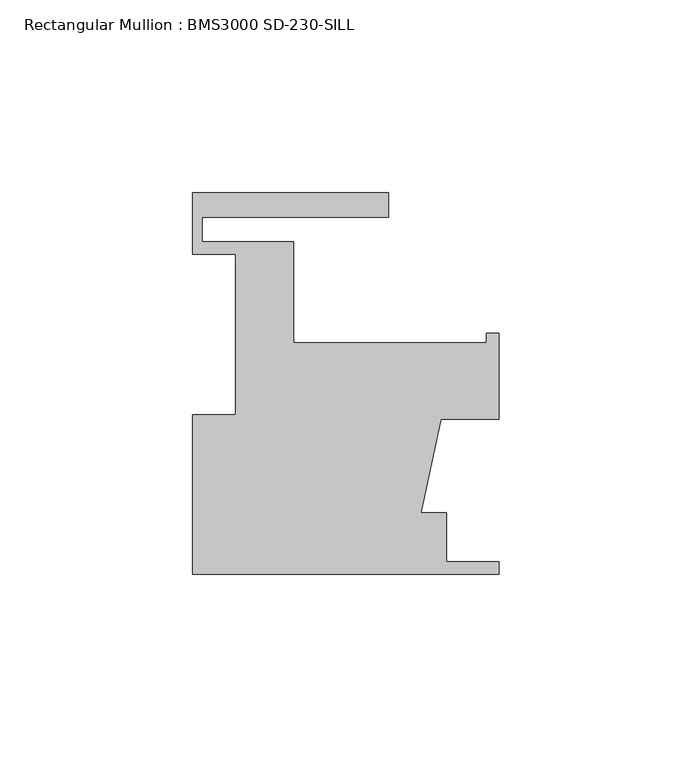
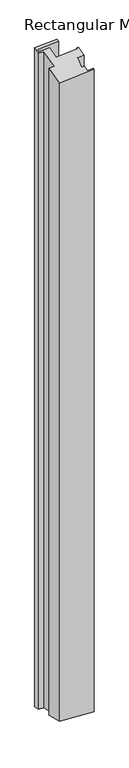
"""IFC4 building model written with IfcOpenShell, lengths in millimetres: member geometry, Rectangular Mullion : BMS3000 SD-230-SILL."""

from ifc_helpers import new_model, si_unit, origin, place, context, project, spatial, faceted_brep, source, transform, mapped, element, save


def rectangular_mullion_bms3000_sd_230_sill_0b0914b8(model_context):
    return source(origin(), model_context, "Body", "Brep", [
        faceted_brep([(0.0, -41.3742187, -10.7325429), (-79.375, -41.3742187, -16.0616298), (-79.375, -41.3742187, -1561.6992692), (0.0, -41.3742187, -1567.028356), (0.0, -38.1992187, -9.9089425), (0.0, -38.1992187, -1567.8519564), (-13.589, -38.1992187, -10.8212822), (-13.589, -38.1992187, -1566.9396168), (-13.589, -25.4992187, -7.5268805), (-13.589, -25.4992187, -1570.2340184), (-20.2104736, -25.4992187, -7.9714337), (-20.2104736, -25.4992187, -1569.7894653), (-15.0490902, -1.2168187, -1.3260122), (-15.0490902, -1.2168187, -1576.4348867), (0.0, -1.2168187, -0.3156449), (0.0, -1.2168187, -1577.4452541), (0.0, 21.0081813, 5.4495581), (0.0, 21.0081813, -1583.210457), (-3.175, 21.0081813, 5.2363946), (-3.175, 21.0081813, -1582.9972935), (-3.175, 18.6205813, 4.6170471), (-3.175, 18.6205813, -1582.377946), (-53.1876, 18.6205813, 1.259296), (-53.1876, 18.6205813, -1579.020195), (-53.1876, 44.7063813, 8.0259971), (-53.1876, 44.7063813, -1585.786896), (-76.9874, 44.7063813, 6.4281237), (-76.9874, 44.7063813, -1584.1890226), (-76.9874, 51.0563813, 8.0753245), (-76.9874, 51.0563813, -1585.8362234), (-28.575, 51.0563813, 11.3256411), (-28.575, 51.0563813, -1589.0865401), (-28.575, 57.4063813, 12.972842), (-28.575, 57.4063813, -1590.7337409), (-79.375, 57.4063813, 9.5622264), (-79.375, 57.4063813, -1587.3231253), (-79.375, 41.5313813, 5.4442243), (-79.375, 41.5313813, -1583.2051233), (-68.2498, 41.5313813, 6.1911491), (-68.2498, 41.5313813, -1583.9520481), (-68.2498, -0.0992187, -4.6078995), (-68.2498, -0.0992188, -1573.1529994), (-79.375, -0.0992187, -5.3548243), (-79.375, -0.0992188, -1572.4060746)], [[[0, 1, 2, 3]], [[4, 0, 3, 5]], [[6, 4, 5, 7]], [[8, 6, 7, 9]], [[10, 8, 9, 11]], [[12, 10, 11, 13]], [[14, 12, 13, 15]], [[16, 14, 15, 17]], [[18, 16, 17, 19]], [[20, 18, 19, 21]], [[22, 20, 21, 23]], [[24, 22, 23, 25]], [[26, 24, 25, 27]], [[28, 26, 27, 29]], [[30, 28, 29, 31]], [[32, 30, 31, 33]], [[34, 32, 33, 35]], [[36, 34, 35, 37]], [[38, 36, 37, 39]], [[40, 38, 39, 41]], [[42, 40, 41, 43]], [[1, 42, 43, 2]], [[1, 0, 4, 6, 8, 10, 12, 14, 16, 18, 20, 22, 24, 26, 28, 30, 32, 34, 36, 38, 40, 42]], [[2, 43, 41, 39, 37, 35, 33, 31, 29, 27, 25, 23, 21, 19, 17, 15, 13, 11, 9, 7, 5, 3]]]),
    ])


if __name__ == "__main__":
    model = new_model("IFC4")
    model_context = context("Model", 3, world=origin())
    ifc_project = project(units=[si_unit("LENGTHUNIT", "METRE", prefix="MILLI")], contexts=[model_context])
    site = spatial("IfcSite", under=ifc_project)
    building = spatial("IfcBuilding", under=site)
    placement = place(None, origin())
    rectangular_mullion_bms3000_sd_230_sill_shape = rectangular_mullion_bms3000_sd_230_sill_0b0914b8(model_context)
    element("IfcMember", 1, ObjectType="Rectangular Mullion : BMS3000 SD-230-SILL", at=placement, inside=building, context=model_context, shape_type="MappedRepresentation", body=[
        mapped(rectangular_mullion_bms3000_sd_230_sill_shape, transform((0.0, 0.0, 0.0), x_axis=(1.0, 0.0, 0.0), y_axis=(0.0, 1.0, 0.0), z_axis=(0.0, 0.0, 1.0))),
    ])
    save(model, "model.ifc")
